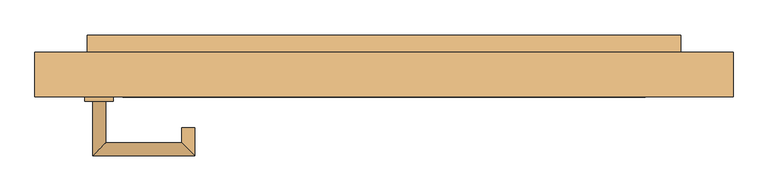
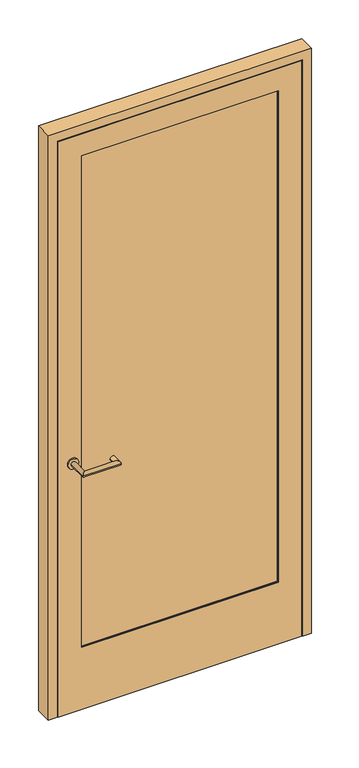
"""IFC4 building model written with IfcOpenShell, lengths in millimetres: door geometry."""

from ifc_helpers import new_model, si_unit, point, frame, frame_2d, origin, place, context, project, spatial, polyline, circle_curve, ellipse_curve, trimmed, segment, composite_curve, outline, extrude, faceted_brep, source, transform, mapped, element, save
from ifc_brep_helpers import plane_surface, cylinder_surface, advanced_brep


def door_59ecb452(model_context):
    return source(origin(), model_context, "Body", "SolidModel", [
        extrude(outline(polyline([(2355.3, 471.5214844), (2355.3, -471.5214844), (0.0, -471.5214844), (0.0, 471.5214844), (2355.3, 471.5214844)]), holes=[polyline([(254.0, 381.0339844), (254.0, -381.0339844), (2264.8125, -381.0339844), (2264.8125, 381.0339844), (254.0, 381.0339844)])]), frame((0.0, -26.19375, 0.0), z_axis=(0.0, 1.0, 0.0), x_axis=(0.0, 0.0, 1.0)), (0.0, 0.0, 1.0), 2.4553029),
        faceted_brep([(450.8839844, 35.5295696, 2334.6625), (450.8839844, 35.5295696, 0.0), (433.4214844, 35.5295696, 0.0), (433.4214844, 35.5295696, 2317.2), (-433.4214844, 35.5295696, 2317.2), (-433.4214844, 35.5295696, 0.0), (-450.8839844, 35.5295696, 0.0), (-450.8839844, 35.5295696, 2334.6625), (450.8839844, -23.7384471, 2334.6625), (-450.8839844, -23.7384471, 2334.6625), (-450.8839844, -23.7384471, 0.0), (450.8839844, -23.7384471, 0.0), (381.0339844, -23.7384471, 2264.8125), (381.0339844, -23.7384471, 254.0), (-381.0339844, -23.7384471, 254.0), (-381.0339844, -23.7384471, 2264.8125), (-381.0339844, 38.89375, 254.0), (-381.0339844, 38.89375, 2264.8125), (381.0339844, 38.89375, 2264.8125), (381.0339844, 38.89375, 254.0), (-433.4214844, 38.89375, 0.0), (433.4214844, 38.89375, 0.0), (-433.4214844, 38.89375, 2317.2), (433.4214844, 38.89375, 2317.2)], [[[0, 1, 2, 3, 4, 5, 6, 7]], [[8, 9, 10, 11], [12, 13, 14, 15]], [[7, 9, 8, 0]], [[6, 10, 9, 7]], [[14, 16, 17, 15]], [[17, 18, 12, 15]], [[18, 19, 13, 12]], [[10, 6, 5, 20, 21, 2, 1, 11]], [[0, 8, 11, 1]], [[21, 20, 22, 23], [19, 18, 17, 16]], [[23, 3, 2, 21]], [[22, 4, 3, 23]], [[19, 16, 14, 13]], [[20, 5, 4, 22]]]),
        extrude(outline(polyline([(381.0339844, 18.25625), (381.0339844, -19.84375), (-381.0339844, -19.84375), (-381.0339844, 18.25625), (381.0339844, 18.25625)])), frame((0.0, 0.0, 254.0), z_axis=(0.0, 0.0, 1.0), x_axis=(1.0, 0.0, 0.0)), (0.0, 0.0, 1.0), 2010.8125),
        advanced_brep(
        [(-406.4339844, -32.54375, 1020.7625), (-425.4839844, -32.54375, 1020.7625), (-406.4339844, -92.86875, 1020.7625), (-425.4839844, -111.91875, 1020.7625), (-295.3089844, -92.86875, 1020.7625), (-276.2589844, -111.91875, 1020.7625), (-295.3089844, -70.64375, 1020.7625), (-276.2589844, -70.64375, 1020.7625)],
        [
            (0, 1, circle_curve(frame((-415.9589844, -32.54375, 1020.7625), z_axis=(0.0, 1.0, 0.0), x_axis=(-1.0000000000000004, 0.0, 0.0)), 9.525)),
            (1, 0, circle_curve(frame((-415.9589844, -32.54375, 1020.7625), z_axis=(0.0, 1.0, 0.0), x_axis=(-1.0000000000000004, 0.0, 0.0)), 9.525)),
            (0, 2),
            (2, 3, ellipse_curve(frame((-415.9589844, -102.39375, 1020.7625), z_axis=(-0.7071067811865588, 0.7071067811865362, 0.0), x_axis=(0.7071067811865362, 0.7071067811865588, 0.0)), 13.4703842, 9.525)),
            (3, 1),
            (3, 2, ellipse_curve(frame((-415.9589844, -102.39375, 1020.7625), z_axis=(-0.7071067811865588, 0.7071067811865362, 0.0), x_axis=(0.7071067811865362, 0.7071067811865588, 0.0)), 13.4703842, 9.525)),
            (2, 4),
            (4, 5, ellipse_curve(frame((-285.7839844, -102.39375, 1020.7625), z_axis=(-0.707106781186536, -0.707106781186559, 0.0), x_axis=(-0.707106781186559, 0.7071067811865359, 0.0)), 13.4703842, 9.525)),
            (5, 3),
            (5, 4, ellipse_curve(frame((-285.7839844, -102.39375, 1020.7625), z_axis=(-0.707106781186536, -0.707106781186559, 0.0), x_axis=(-0.707106781186559, 0.7071067811865359, 0.0)), 13.4703842, 9.525)),
            (6, 7, circle_curve(frame((-285.7839844, -70.64375, 1020.7625), z_axis=(0.0, 1.0, 0.0), x_axis=(1.0000000000000004, 0.0, 0.0)), 9.525)),
            (7, 6, circle_curve(frame((-285.7839844, -70.64375, 1020.7625), z_axis=(0.0, 1.0, 0.0), x_axis=(1.0000000000000004, 0.0, 0.0)), 9.525)),
            (4, 6),
            (7, 5),
        ],
        [
            plane_surface(frame((-415.9589844, -32.54375, 0.0), z_axis=(0.0, 1.0, 0.0), x_axis=(0.0, 0.0, 1.0))),
            cylinder_surface(frame((-415.9589844, -32.54375, 1020.7625), z_axis=(0.0, 1.0000000000000004, 0.0), x_axis=(-1.0000000000000004, 0.0, 0.0)), 9.525),
            cylinder_surface(frame((-415.9589844, -102.39375, 1020.7625), z_axis=(-1.0000000000000004, 0.0, 0.0), x_axis=(0.0, -1.0000000000000004, 0.0)), 9.525),
            plane_surface(frame((-285.7839844, -70.64375, 0.0), z_axis=(0.0, 1.0, 0.0), x_axis=(0.0, 0.0, 1.0))),
            cylinder_surface(frame((-285.7839844, -102.39375, 1020.7625), z_axis=(0.0, -1.0000000000000004, 0.0), x_axis=(1.0000000000000004, 0.0, 0.0)), 9.525),
        ],
        [
            (0, [[1, 2]]),
            (1, [[3, 4, 5, -1]]),
            (1, [[-5, 6, -3, -2]]),
            (2, [[7, 8, 9, -4]]),
            (2, [[-9, 10, -7, -6]]),
            (3, [[11, 12]]),
            (4, [[13, -12, 14, -8]]),
            (4, [[-14, -11, -13, -10]]),
        ],
    ),
        extrude(outline(polyline([(433.4214844, 64.29375), (433.4214844, 38.89375), (-433.4214844, 38.89375), (-433.4214844, 64.29375), (433.4214844, 64.29375)])), frame((0.0, 0.0, 986.63125), z_axis=(0.0, 0.0, 1.0), x_axis=(1.0, 0.0, 0.0)), (0.0, 0.0, 1.0), 68.2625),
        extrude(outline(composite_curve([segment(trimmed(circle_curve(frame_2d((1020.7625, -415.9589844)), 20.6375), [point((1020.7625, -395.3214844))], [point((1020.7625, -436.5964844))], False, "CARTESIAN"), True, "CONTINUOUS"), segment(trimmed(circle_curve(frame_2d((1020.7625, -415.9589844)), 20.6375), [point((1020.7625, -436.5964844))], [point((1020.7625, -395.3214844))], False, "CARTESIAN"), True, "CONTINUOUS")], self_intersect=False)), frame((0.0, -32.54375, 0.0), z_axis=(0.0, 1.0, 0.0), x_axis=(0.0, 0.0, 1.0)), (0.0, 0.0, 1.0), 6.35),
        faceted_brep([(509.6214844, -26.19375, 0.0), (474.6964844, -26.19375, 0.0), (474.6964844, -19.84375, 0.0), (460.4089844, -19.84375, 0.0), (460.4089844, 35.71875, 0.0), (439.7714844, 35.71875, 0.0), (439.7714844, 38.89375, 0.0), (509.6214844, 38.89375, 0.0), (509.6214844, 38.89375, 2393.4), (509.6214844, -26.19375, 2393.4), (439.7714844, 38.89375, 2323.55), (-439.7714844, 38.89375, 2323.55), (-439.7714844, 38.89375, 0.0), (-509.6214844, 38.89375, 0.0), (-509.6214844, 38.89375, 2393.4), (439.7714844, 35.71875, 2323.55), (460.4089844, 35.71875, 2344.1875), (-460.4089844, 35.71875, 2344.1875), (-460.4089844, 35.71875, 0.0), (-439.7714844, 35.71875, 0.0), (-439.7714844, 35.71875, 2323.55), (460.4089844, -19.84375, 2344.1875), (474.6964844, -19.84375, 2358.475), (-474.6964844, -19.84375, 2358.475), (-474.6964844, -19.84375, 0.0), (-460.4089844, -19.84375, 0.0), (-460.4089844, -19.84375, 2344.1875), (474.6964844, -26.19375, 2358.475), (-509.6214844, -26.19375, 2393.4), (-509.6214844, -26.19375, 0.0), (-474.6964844, -26.19375, 0.0), (-474.6964844, -26.19375, 2358.475)], [[[0, 1, 2, 3, 4, 5, 6, 7]], [[7, 8, 9, 0]], [[6, 10, 11, 12, 13, 14, 8, 7]], [[5, 15, 10, 6]], [[4, 16, 17, 18, 19, 20, 15, 5]], [[3, 21, 16, 4]], [[2, 22, 23, 24, 25, 26, 21, 3]], [[1, 27, 22, 2]], [[0, 9, 28, 29, 30, 31, 27, 1]], [[14, 13, 29, 28]], [[29, 13, 12, 19, 18, 25, 24, 30]], [[20, 19, 12, 11]], [[26, 25, 18, 17]], [[31, 30, 24, 23]], [[8, 14, 28, 9]], [[15, 20, 11, 10]], [[27, 31, 23, 22]], [[21, 26, 17, 16]]]),
    ])


if __name__ == "__main__":
    model = new_model("IFC4")
    model_context = context("Model", 3, world=origin())
    ifc_project = project(units=[si_unit("LENGTHUNIT", "METRE", prefix="MILLI")], contexts=[model_context])
    site = spatial("IfcSite", under=ifc_project)
    building = spatial("IfcBuilding", under=site)
    placement = place(None, origin())
    door_shape = door_59ecb452(model_context)
    element("IfcDoor", 1, at=placement, inside=building, context=model_context, shape_type="MappedRepresentation", body=[
        mapped(door_shape, transform((0.0, 0.0, 0.0), x_axis=(1.0, 0.0, 0.0), y_axis=(0.0, 1.0, 0.0), z_axis=(0.0, 0.0, 1.0))),
    ])
    save(model, "model.ifc")
